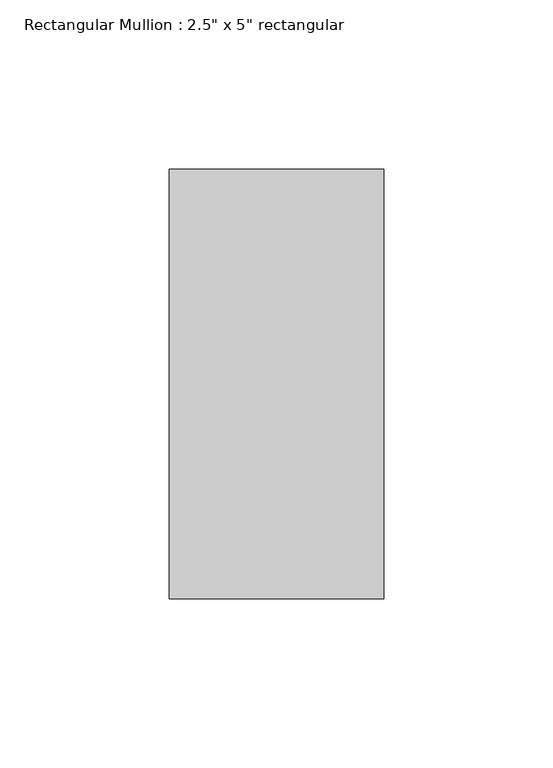
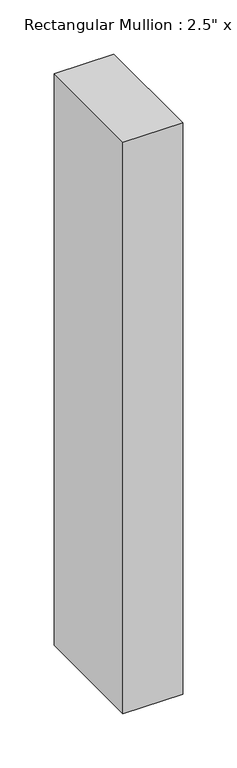
"""IFC4 building model written with IfcOpenShell, lengths in millimetres: member geometry."""

from ifc_helpers import new_model, si_unit, frame, origin, place, context, project, spatial, polyline, outline, extrude, source, transform, mapped, element, save


def member_9c4724e4(model_context):
    return source(origin(), model_context, "Body", "SweptSolid", [
        extrude(outline(polyline([(0.0, 63.5), (0.0, -63.5), (-63.5, -63.5), (-63.5, 63.5), (0.0, 63.5)])), frame((0.0, 0.0, -644.0964616), z_axis=(0.0, 0.0, 1.0), x_axis=(1.0, 0.0, 0.0)), (0.0, 0.0, 1.0), 644.0964616),
    ])


if __name__ == "__main__":
    model = new_model("IFC4")
    model_context = context("Model", 3, world=origin())
    ifc_project = project(units=[si_unit("LENGTHUNIT", "METRE", prefix="MILLI")], contexts=[model_context])
    site = spatial("IfcSite", under=ifc_project)
    building = spatial("IfcBuilding", under=site)
    placement = place(None, origin())
    member_shape = member_9c4724e4(model_context)
    element("IfcMember", 1, ObjectType="Rectangular Mullion : 2.5\" x 5\" rectangular", at=placement, inside=building, context=model_context, shape_type="MappedRepresentation", body=[
        mapped(member_shape, transform((0.0, 0.0, 0.0), x_axis=(1.0, 0.0, 0.0), y_axis=(0.0, 1.0, 0.0), z_axis=(0.0, 0.0, 1.0))),
    ])
    save(model, "model.ifc")
